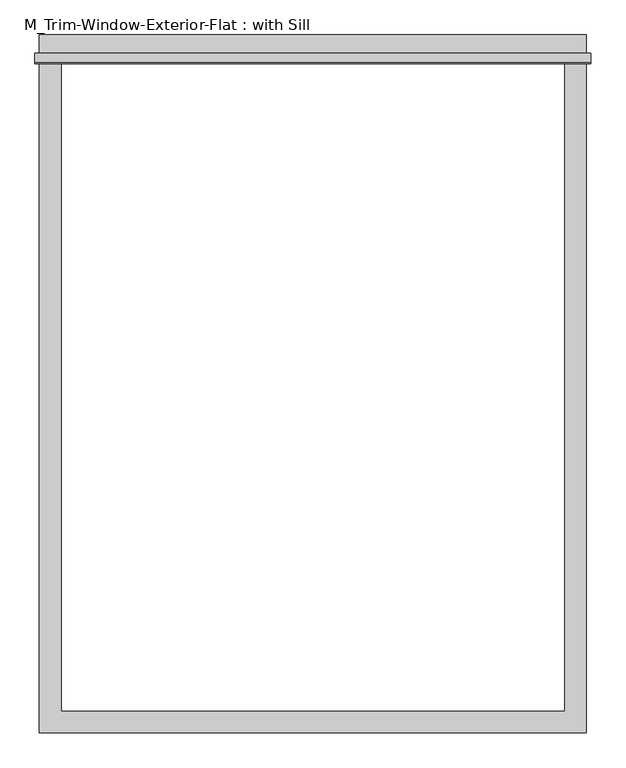
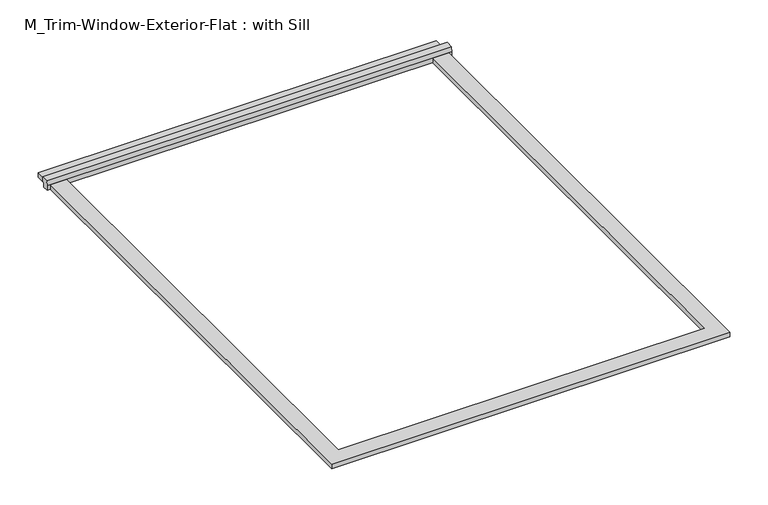
"""IFC4 building model written with IfcOpenShell, lengths in millimetres: proxy geometry, M_Trim-Window-Exterior-Flat : with Sill."""

import ifcopenshell
import ifcopenshell.guid

model = None  # the IFC model being written
_history = None  # IfcOwnerHistory: only IFC2X3 demands one
_inside = {}  # id of a spatial element -> (the spatial element, [elements in it])
_under = {}  # id of a project, library or spatial element -> (it, [spatial elements below it])
_declared = {}  # id of a project -> (the project, [libraries it declares])
_typed = {}  # id of a type object -> (the type object, [elements of that type])
_made_of = {}  # id of a material, layer set ... -> (it, [elements and type objects made of it])


def new_model(schema):
    """Start an empty IFC model of exactly this schema.

    Asked for "IFC4X3", IfcOpenShell would pick the latest addendum, in which some entities
    have other attributes; the version numbers below select the first issue.
    IFC2X3 requires an IfcOwnerHistory on every rooted entity: one is made here for all.
    """
    global model, _history
    if schema == "IFC4X3":
        model = ifcopenshell.file(schema_version=(4, 3, 0, 0))
    else:
        model = ifcopenshell.file(schema=schema)
    _inside.clear()
    _under.clear()
    _declared.clear()
    _typed.clear()
    _made_of.clear()
    _history = None
    if model.schema == "IFC2X3":
        org = make("IfcOrganization", Name="unknown")
        user = make(
            "IfcPersonAndOrganization",
            ThePerson=make("IfcPerson", FamilyName="unknown"),
            TheOrganization=org,
        )
        app = make(
            "IfcApplication",
            ApplicationDeveloper=org,
            Version="unknown",
            ApplicationFullName="unknown",
            ApplicationIdentifier="unknown",
        )
        _history = make(
            "IfcOwnerHistory",
            OwningUser=user,
            OwningApplication=app,
            ChangeAction="ADDED",
            CreationDate=0,
        )
    return model


def make(cls, **values):
    """One entity of the class cls with the attributes given. An attribute that is None is left unset."""
    return model.create_entity(
        cls, **{name: value for name, value in values.items() if value is not None}
    )


def rooted(cls, **values):
    """An entity with a GlobalId (a new one), such as an element, a storey or a relation."""
    return make(cls, GlobalId=ifcopenshell.guid.new(), OwnerHistory=_history, **values)


def si_unit(unit_type, name, prefix=None):
    """IfcSIUnit, for example si_unit("LENGTHUNIT", "METRE", prefix="MILLI")."""
    return make("IfcSIUnit", UnitType=unit_type, Prefix=prefix, Name=name)


def assignment(units):
    """IfcUnitAssignment: the units of a project."""
    return None if units is None else make("IfcUnitAssignment", Units=units)


def point(xyz):
    """IfcCartesianPoint."""
    return None if xyz is None else make("IfcCartesianPoint", Coordinates=xyz)


def direction(xyz):
    """IfcDirection."""
    return None if xyz is None else make("IfcDirection", DirectionRatios=xyz)


def frame(location, z_axis=None, x_axis=None):
    """IfcAxis2Placement3D, a coordinate frame: its origin and axes. An axis left out is left unset."""
    return make(
        "IfcAxis2Placement3D",
        Location=point(location),
        Axis=direction(z_axis),
        RefDirection=direction(x_axis),
    )


def origin():
    """The frame at (0, 0, 0) with its axes left unset."""
    return frame((0.0, 0.0, 0.0))


def origin_with_axes():
    """The frame at (0, 0, 0) with the z axis (0, 0, 1) and the x axis (1, 0, 0) written out."""
    return frame((0.0, 0.0, 0.0), z_axis=(0.0, 0.0, 1.0), x_axis=(1.0, 0.0, 0.0))


def place(relative_to, where):
    """IfcLocalPlacement: puts the frame where relative to a parent placement (None: the world)."""
    return make(
        "IfcLocalPlacement", PlacementRelTo=relative_to, RelativePlacement=where
    )


def context(
    kind, dimensions, precision=None, world=None, true_north=None, identifier=None
):
    """IfcGeometricRepresentationContext, for example the 3D "Model" context."""
    return make(
        "IfcGeometricRepresentationContext",
        ContextIdentifier=identifier,
        ContextType=kind,
        CoordinateSpaceDimension=dimensions,
        Precision=precision,
        WorldCoordinateSystem=world,
        TrueNorth=true_north,
    )


def project(units=None, contexts=None):
    """IfcProject with its units and contexts."""
    return rooted(
        "IfcProject",
        Name="project",
        RepresentationContexts=contexts,
        UnitsInContext=assignment(units),
    )


def spatial(cls, under=None, at=None, **own):
    """A site, building, storey or space (cls), placed at a placement, below another one or the project."""
    s = rooted(cls, ObjectPlacement=at, **own)
    if under is not None:
        _under.setdefault(under.id(), (under, []))[1].append(s)
    return s


def polyline(points):
    """IfcPolyline through the points."""
    return make("IfcPolyline", Points=[point(p) for p in points])


def outline(outer, holes=None, kind="AREA"):
    """IfcArbitraryClosedProfileDef: a profile drawn as a closed curve; with holes, ...WithVoids."""
    if holes is None:
        return make("IfcArbitraryClosedProfileDef", ProfileType=kind, OuterCurve=outer)
    return make(
        "IfcArbitraryProfileDefWithVoids",
        ProfileType=kind,
        OuterCurve=outer,
        InnerCurves=holes,
    )


def extrude(swept, where, along, depth):
    """IfcExtrudedAreaSolid: the profile swept, set in the frame where, extruded along a direction by depth."""
    return make(
        "IfcExtrudedAreaSolid",
        SweptArea=swept,
        Position=where,
        ExtrudedDirection=direction(along),
        Depth=depth,
    )


def shape(context_of_items, identifier, shape_type, items):
    """IfcShapeRepresentation: the items that make up one representation, for example the "Body"."""
    return make(
        "IfcShapeRepresentation",
        ContextOfItems=context_of_items,
        RepresentationIdentifier=identifier,
        RepresentationType=shape_type,
        Items=items,
    )


def source(mapping_origin, context_of_items, identifier, shape_type, items):
    """IfcRepresentationMap: a shape defined once, which mapped items show again and again."""
    return make(
        "IfcRepresentationMap",
        MappingOrigin=mapping_origin,
        MappedRepresentation=shape(context_of_items, identifier, shape_type, items),
    )


def transform(
    local_origin,
    x_axis=None,
    y_axis=None,
    z_axis=None,
    scale=None,
    scale2=None,
    scale3=None,
    uniform=True,
):
    """IfcCartesianTransformationOperator3D, or its non-uniform kind. x_axis, y_axis, z_axis: its Axis1, 2, 3."""
    if uniform:
        return make(
            "IfcCartesianTransformationOperator3D",
            Axis1=direction(x_axis),
            Axis2=direction(y_axis),
            LocalOrigin=point(local_origin),
            Scale=scale,
            Axis3=direction(z_axis),
        )
    return make(
        "IfcCartesianTransformationOperator3DnonUniform",
        Axis1=direction(x_axis),
        Axis2=direction(y_axis),
        LocalOrigin=point(local_origin),
        Scale=scale,
        Axis3=direction(z_axis),
        Scale2=scale2,
        Scale3=scale3,
    )


def mapped(mapping_source, mapping_target):
    """IfcMappedItem: shows the shape of a source again, moved by a transform."""
    return make(
        "IfcMappedItem", MappingSource=mapping_source, MappingTarget=mapping_target
    )


def made_of(thing, what):
    """Note that an element or type object is made of a material, layer set ...; save() writes the relation."""
    if what is not None:
        _made_of.setdefault(what.id(), (what, []))[1].append(thing)
    return thing


def element(
    cls,
    number,
    at=None,
    inside=None,
    cuts=None,
    type_object=None,
    material=None,
    context=None,
    identifier="Body",
    shape_type=None,
    held_by="IfcProductDefinitionShape",
    body=None,
    shapes=None,
    **own,
):
    """One element of the class cls, such as IfcWall. Its Tag is "e" and its number.

    at: its placement. inside: the storey or other place that contains it. cuts: it is an
    opening in that element (IfcRelVoidsElement). A single representation is given by context,
    identifier, shape_type and body (its items); several are given by shapes. held_by: the class
    of the entity that holds the representations. save() writes the other relations.
    """
    e = rooted(cls, Tag="e%d" % number, ObjectPlacement=at, **own)
    if body is not None:
        shapes = [shape(context, identifier, shape_type, body)]
    if shapes is not None:
        e.Representation = make(held_by, Representations=shapes)
    if inside is not None:
        _inside.setdefault(inside.id(), (inside, []))[1].append(e)
    if cuts is not None:
        rooted(
            "IfcRelVoidsElement", RelatingBuildingElement=cuts, RelatedOpeningElement=e
        )
    if type_object is not None:
        _typed.setdefault(type_object.id(), (type_object, []))[1].append(e)
    return made_of(e, material)


def aggregate(whole, parts):
    """IfcRelAggregates: a whole, such as a stair, and the parts it consists of."""
    return rooted("IfcRelAggregates", RelatingObject=whole, RelatedObjects=parts)


def save(model, path):
    """Write the relations noted so far, then the file.

    IfcRelAggregates (storeys below a building ...), IfcRelContainedInSpatialStructure (elements
    in a storey), IfcRelDefinesByType, IfcRelAssociatesMaterial and IfcRelDeclares: one each for
    every whole, place, type object, material and project.
    """
    for whole, parts in _under.values():
        aggregate(whole, parts)
    for where, things in _inside.values():
        rooted(
            "IfcRelContainedInSpatialStructure",
            RelatedElements=things,
            RelatingStructure=where,
        )
    for kind, things in _typed.values():
        rooted("IfcRelDefinesByType", RelatedObjects=things, RelatingType=kind)
    for what, things in _made_of.values():
        rooted("IfcRelAssociatesMaterial", RelatedObjects=things, RelatingMaterial=what)
    for by, libraries in _declared.values():
        rooted("IfcRelDeclares", RelatingContext=by, RelatedDefinitions=libraries)
    model.write(path)


def m_trim_window_exterior_flat_with_sill_88aaac3a(model_context):
    return source(origin(), model_context, "Body", "SweptSolid", [
        extrude(outline(polyline([(760.0, 1820.4323709), (-760.0, 1820.4323709), (-760.0, 1880.4323709), (760.0, 1880.4323709), (760.0, 1820.4323709)])), origin_with_axes(), (0.0, 0.0, 1.0), 19.05),
        extrude(outline(polyline([(1830.0, 38.1), (1830.0, 19.05), (1820.4323709, 19.05), (1820.4323709, 0.0), (1800.0, 0.0), (1800.0, 19.05), (1802.4580645, 38.1), (1830.0, 38.1)])), frame((-772.7, 0.0, 0.0), z_axis=(1.0, 0.0, 0.0), x_axis=(0.0, 1.0, 0.0)), (0.0, 0.0, 1.0), 1545.4),
        extrude(outline(polyline([(-760.0, -60.0), (-760.0, 1800.0), (-700.0, 1800.0), (-700.0, 0.0), (700.0, 0.0), (700.0, 1800.0), (760.0, 1800.0), (760.0, -60.0), (-760.0, -60.0)])), origin_with_axes(), (0.0, 0.0, 1.0), 19.05),
    ])


if __name__ == "__main__":
    model = new_model("IFC4")
    model_context = context("Model", 3, world=origin())
    ifc_project = project(units=[si_unit("LENGTHUNIT", "METRE", prefix="MILLI")], contexts=[model_context])
    site = spatial("IfcSite", under=ifc_project)
    building = spatial("IfcBuilding", under=site)
    placement = place(None, origin())
    m_trim_window_exterior_flat_with_sill_shape = m_trim_window_exterior_flat_with_sill_88aaac3a(model_context)
    element("IfcBuildingElementProxy", 1, Name="M_Trim-Window-Exterior-Flat : with Sill", ObjectType="M_Trim-Window-Exterior-Flat : with Sill", at=placement, inside=building, context=model_context, shape_type="MappedRepresentation", body=[
        mapped(m_trim_window_exterior_flat_with_sill_shape, transform((0.0, 0.0, 0.0), x_axis=(1.0, 0.0, 0.0), y_axis=(0.0, 1.0, 0.0), z_axis=(0.0, 0.0, 1.0))),
    ])
    save(model, "model.ifc")
